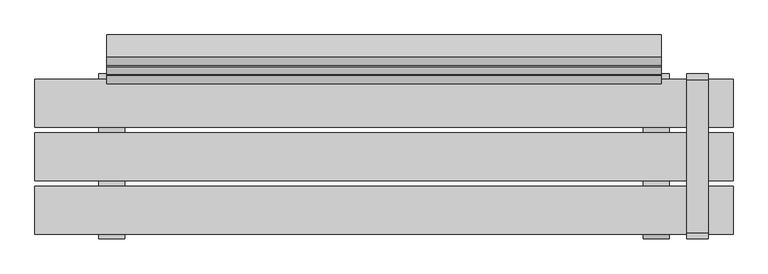
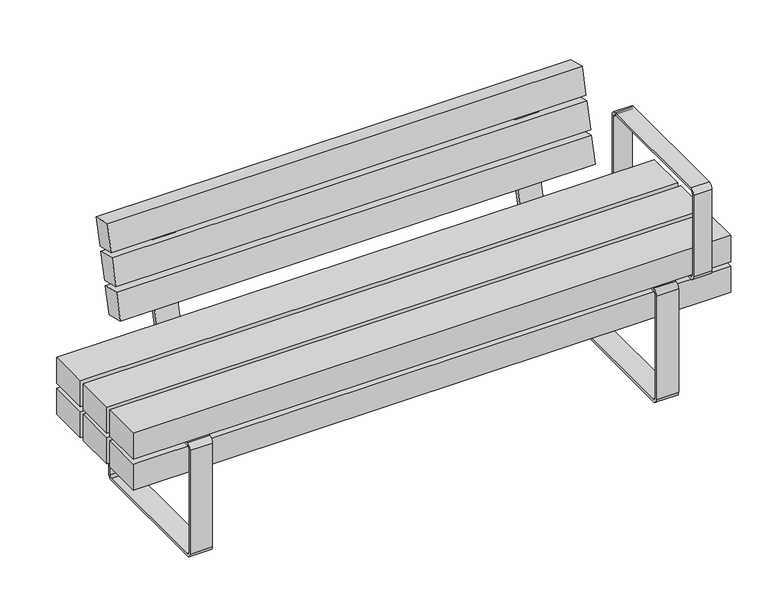
"""IFC4 building model written with IfcOpenShell, lengths in millimetres: furniture geometry."""

import ifcopenshell
import ifcopenshell.guid

model = None  # the IFC model being written
_history = None  # IfcOwnerHistory: only IFC2X3 demands one
_inside = {}  # id of a spatial element -> (the spatial element, [elements in it])
_under = {}  # id of a project, library or spatial element -> (it, [spatial elements below it])
_declared = {}  # id of a project -> (the project, [libraries it declares])
_typed = {}  # id of a type object -> (the type object, [elements of that type])
_made_of = {}  # id of a material, layer set ... -> (it, [elements and type objects made of it])


def new_model(schema):
    """Start an empty IFC model of exactly this schema.

    Asked for "IFC4X3", IfcOpenShell would pick the latest addendum, in which some entities
    have other attributes; the version numbers below select the first issue.
    IFC2X3 requires an IfcOwnerHistory on every rooted entity: one is made here for all.
    """
    global model, _history
    if schema == "IFC4X3":
        model = ifcopenshell.file(schema_version=(4, 3, 0, 0))
    else:
        model = ifcopenshell.file(schema=schema)
    _inside.clear()
    _under.clear()
    _declared.clear()
    _typed.clear()
    _made_of.clear()
    _history = None
    if model.schema == "IFC2X3":
        org = make("IfcOrganization", Name="unknown")
        user = make(
            "IfcPersonAndOrganization",
            ThePerson=make("IfcPerson", FamilyName="unknown"),
            TheOrganization=org,
        )
        app = make(
            "IfcApplication",
            ApplicationDeveloper=org,
            Version="unknown",
            ApplicationFullName="unknown",
            ApplicationIdentifier="unknown",
        )
        _history = make(
            "IfcOwnerHistory",
            OwningUser=user,
            OwningApplication=app,
            ChangeAction="ADDED",
            CreationDate=0,
        )
    return model


def make(cls, **values):
    """One entity of the class cls with the attributes given. An attribute that is None is left unset."""
    return model.create_entity(
        cls, **{name: value for name, value in values.items() if value is not None}
    )


def rooted(cls, **values):
    """An entity with a GlobalId (a new one), such as an element, a storey or a relation."""
    return make(cls, GlobalId=ifcopenshell.guid.new(), OwnerHistory=_history, **values)


def si_unit(unit_type, name, prefix=None):
    """IfcSIUnit, for example si_unit("LENGTHUNIT", "METRE", prefix="MILLI")."""
    return make("IfcSIUnit", UnitType=unit_type, Prefix=prefix, Name=name)


def assignment(units):
    """IfcUnitAssignment: the units of a project."""
    return None if units is None else make("IfcUnitAssignment", Units=units)


def point(xyz):
    """IfcCartesianPoint."""
    return None if xyz is None else make("IfcCartesianPoint", Coordinates=xyz)


def direction(xyz):
    """IfcDirection."""
    return None if xyz is None else make("IfcDirection", DirectionRatios=xyz)


def frame(location, z_axis=None, x_axis=None):
    """IfcAxis2Placement3D, a coordinate frame: its origin and axes. An axis left out is left unset."""
    return make(
        "IfcAxis2Placement3D",
        Location=point(location),
        Axis=direction(z_axis),
        RefDirection=direction(x_axis),
    )


def frame_2d(location, x_axis=None):
    """IfcAxis2Placement2D, a coordinate frame in the plane: its origin and x axis."""
    return make(
        "IfcAxis2Placement2D", Location=point(location), RefDirection=direction(x_axis)
    )


def origin():
    """The frame at (0, 0, 0) with its axes left unset."""
    return frame((0.0, 0.0, 0.0))


def place(relative_to, where):
    """IfcLocalPlacement: puts the frame where relative to a parent placement (None: the world)."""
    return make(
        "IfcLocalPlacement", PlacementRelTo=relative_to, RelativePlacement=where
    )


def context(
    kind, dimensions, precision=None, world=None, true_north=None, identifier=None
):
    """IfcGeometricRepresentationContext, for example the 3D "Model" context."""
    return make(
        "IfcGeometricRepresentationContext",
        ContextIdentifier=identifier,
        ContextType=kind,
        CoordinateSpaceDimension=dimensions,
        Precision=precision,
        WorldCoordinateSystem=world,
        TrueNorth=true_north,
    )


def project(units=None, contexts=None):
    """IfcProject with its units and contexts."""
    return rooted(
        "IfcProject",
        Name="project",
        RepresentationContexts=contexts,
        UnitsInContext=assignment(units),
    )


def spatial(cls, under=None, at=None, **own):
    """A site, building, storey or space (cls), placed at a placement, below another one or the project."""
    s = rooted(cls, ObjectPlacement=at, **own)
    if under is not None:
        _under.setdefault(under.id(), (under, []))[1].append(s)
    return s


def polyline(points):
    """IfcPolyline through the points."""
    return make("IfcPolyline", Points=[point(p) for p in points])


def circle_curve(where, radius):
    """IfcCircle in the frame where."""
    return make("IfcCircle", Position=where, Radius=radius)


def trimmed(basis, trim1, trim2, sense, master):
    """IfcTrimmedCurve: the piece of a basis curve between two trims."""
    return make(
        "IfcTrimmedCurve",
        BasisCurve=basis,
        Trim1=trim1,
        Trim2=trim2,
        SenseAgreement=sense,
        MasterRepresentation=master,
    )


def segment(curve, same_sense, transition):
    """IfcCompositeCurveSegment."""
    return make(
        "IfcCompositeCurveSegment",
        Transition=transition,
        SameSense=same_sense,
        ParentCurve=curve,
    )


def composite_curve(segments, self_intersect=None):
    """IfcCompositeCurve: segments joined end to end."""
    return make("IfcCompositeCurve", Segments=segments, SelfIntersect=self_intersect)


def outline(outer, holes=None, kind="AREA"):
    """IfcArbitraryClosedProfileDef: a profile drawn as a closed curve; with holes, ...WithVoids."""
    if holes is None:
        return make("IfcArbitraryClosedProfileDef", ProfileType=kind, OuterCurve=outer)
    return make(
        "IfcArbitraryProfileDefWithVoids",
        ProfileType=kind,
        OuterCurve=outer,
        InnerCurves=holes,
    )


def extrude(swept, where, along, depth):
    """IfcExtrudedAreaSolid: the profile swept, set in the frame where, extruded along a direction by depth."""
    return make(
        "IfcExtrudedAreaSolid",
        SweptArea=swept,
        Position=where,
        ExtrudedDirection=direction(along),
        Depth=depth,
    )


def shape(context_of_items, identifier, shape_type, items):
    """IfcShapeRepresentation: the items that make up one representation, for example the "Body"."""
    return make(
        "IfcShapeRepresentation",
        ContextOfItems=context_of_items,
        RepresentationIdentifier=identifier,
        RepresentationType=shape_type,
        Items=items,
    )


def source(mapping_origin, context_of_items, identifier, shape_type, items):
    """IfcRepresentationMap: a shape defined once, which mapped items show again and again."""
    return make(
        "IfcRepresentationMap",
        MappingOrigin=mapping_origin,
        MappedRepresentation=shape(context_of_items, identifier, shape_type, items),
    )


def transform(
    local_origin,
    x_axis=None,
    y_axis=None,
    z_axis=None,
    scale=None,
    scale2=None,
    scale3=None,
    uniform=True,
):
    """IfcCartesianTransformationOperator3D, or its non-uniform kind. x_axis, y_axis, z_axis: its Axis1, 2, 3."""
    if uniform:
        return make(
            "IfcCartesianTransformationOperator3D",
            Axis1=direction(x_axis),
            Axis2=direction(y_axis),
            LocalOrigin=point(local_origin),
            Scale=scale,
            Axis3=direction(z_axis),
        )
    return make(
        "IfcCartesianTransformationOperator3DnonUniform",
        Axis1=direction(x_axis),
        Axis2=direction(y_axis),
        LocalOrigin=point(local_origin),
        Scale=scale,
        Axis3=direction(z_axis),
        Scale2=scale2,
        Scale3=scale3,
    )


def mapped(mapping_source, mapping_target):
    """IfcMappedItem: shows the shape of a source again, moved by a transform."""
    return make(
        "IfcMappedItem", MappingSource=mapping_source, MappingTarget=mapping_target
    )


def made_of(thing, what):
    """Note that an element or type object is made of a material, layer set ...; save() writes the relation."""
    if what is not None:
        _made_of.setdefault(what.id(), (what, []))[1].append(thing)
    return thing


def element(
    cls,
    number,
    at=None,
    inside=None,
    cuts=None,
    type_object=None,
    material=None,
    context=None,
    identifier="Body",
    shape_type=None,
    held_by="IfcProductDefinitionShape",
    body=None,
    shapes=None,
    **own,
):
    """One element of the class cls, such as IfcWall. Its Tag is "e" and its number.

    at: its placement. inside: the storey or other place that contains it. cuts: it is an
    opening in that element (IfcRelVoidsElement). A single representation is given by context,
    identifier, shape_type and body (its items); several are given by shapes. held_by: the class
    of the entity that holds the representations. save() writes the other relations.
    """
    e = rooted(cls, Tag="e%d" % number, ObjectPlacement=at, **own)
    if body is not None:
        shapes = [shape(context, identifier, shape_type, body)]
    if shapes is not None:
        e.Representation = make(held_by, Representations=shapes)
    if inside is not None:
        _inside.setdefault(inside.id(), (inside, []))[1].append(e)
    if cuts is not None:
        rooted(
            "IfcRelVoidsElement", RelatingBuildingElement=cuts, RelatedOpeningElement=e
        )
    if type_object is not None:
        _typed.setdefault(type_object.id(), (type_object, []))[1].append(e)
    return made_of(e, material)


def aggregate(whole, parts):
    """IfcRelAggregates: a whole, such as a stair, and the parts it consists of."""
    return rooted("IfcRelAggregates", RelatingObject=whole, RelatedObjects=parts)


def save(model, path):
    """Write the relations noted so far, then the file.

    IfcRelAggregates (storeys below a building ...), IfcRelContainedInSpatialStructure (elements
    in a storey), IfcRelDefinesByType, IfcRelAssociatesMaterial and IfcRelDeclares: one each for
    every whole, place, type object, material and project.
    """
    for whole, parts in _under.values():
        aggregate(whole, parts)
    for where, things in _inside.values():
        rooted(
            "IfcRelContainedInSpatialStructure",
            RelatedElements=things,
            RelatingStructure=where,
        )
    for kind, things in _typed.values():
        rooted("IfcRelDefinesByType", RelatedObjects=things, RelatingType=kind)
    for what, things in _made_of.values():
        rooted("IfcRelAssociatesMaterial", RelatedObjects=things, RelatingMaterial=what)
    for by, libraries in _declared.values():
        rooted("IfcRelDeclares", RelatingContext=by, RelatedDefinitions=libraries)
    model.write(path)


def furniture_d63f21ac(model_context):
    return source(origin(), model_context, "Body", "SweptSolid", [
        extrude(outline(composite_curve([segment(polyline([(198.4124417, 0.0), (-196.5875583, 0.0)]), True, "CONTINUOUS"), segment(trimmed(circle_curve(frame_2d((-196.5875583, 15.0)), 15.0), [point((-196.5875583, 0.0))], [point((-211.5875583, 15.0))], False, "CARTESIAN"), True, "CONTINUOUS"), segment(polyline([(-211.5875583, 15.0), (-211.5875583, 345.3217453)]), True, "CONTINUOUS"), segment(trimmed(circle_curve(frame_2d((-196.5875583, 345.3217453)), 15.0), [point((-211.5875583, 345.3217453))], [point((-196.5875583, 360.3217453))], False, "CARTESIAN"), True, "CONTINUOUS"), segment(polyline([(-196.5875583, 360.3217453), (198.4124417, 360.3217453)]), True, "CONTINUOUS"), segment(trimmed(circle_curve(frame_2d((198.4124417, 345.3217453)), 15.0), [point((198.4124417, 360.3217453))], [point((213.4124417, 345.3217453))], False, "CARTESIAN"), True, "CONTINUOUS"), segment(polyline([(213.4124417, 345.3217453), (213.4124417, 15.0)]), True, "CONTINUOUS"), segment(trimmed(circle_curve(frame_2d((198.4124417, 15.0)), 15.0), [point((213.4124417, 15.0))], [point((198.4124417, 0.0))], False, "CARTESIAN"), True, "CONTINUOUS")], self_intersect=False), holes=[composite_curve([segment(trimmed(circle_curve(frame_2d((-196.5875583, 15.0)), 6.5), [point((-203.0875583, 15.0))], [point((-196.5875583, 8.5))], True, "CARTESIAN"), True, "CONTINUOUS"), segment(polyline([(-196.5875583, 8.5), (198.4124417, 8.5)]), True, "CONTINUOUS"), segment(trimmed(circle_curve(frame_2d((198.4124417, 15.0)), 6.5), [point((198.4124417, 8.5))], [point((204.9124417, 15.0))], True, "CARTESIAN"), True, "CONTINUOUS"), segment(polyline([(204.9124417, 15.0), (204.9124417, 345.3217453)]), True, "CONTINUOUS"), segment(trimmed(circle_curve(frame_2d((198.4124417, 345.3217453)), 6.5), [point((204.9124417, 345.3217453))], [point((198.4124417, 351.8217453))], True, "CARTESIAN"), True, "CONTINUOUS"), segment(polyline([(198.4124417, 351.8217453), (-196.5875583, 351.8217453)]), True, "CONTINUOUS"), segment(trimmed(circle_curve(frame_2d((-196.5875583, 345.3217453)), 6.5), [point((-196.5875583, 351.8217453))], [point((-203.0875583, 345.3217453))], True, "CARTESIAN"), True, "CONTINUOUS"), segment(polyline([(-203.0875583, 345.3217453), (-203.0875583, 15.0)]), True, "CONTINUOUS")], self_intersect=False)]), frame((668.5975006, 0.0, 0.0), z_axis=(1.0, 0.0, 0.0), x_axis=(0.0, 1.0, 0.0)), (0.0, 0.0, 1.0), 67.040596),
        extrude(outline(composite_curve([segment(polyline([(198.4124417, 0.0), (-196.5875583, 0.0)]), True, "CONTINUOUS"), segment(trimmed(circle_curve(frame_2d((-196.5875583, 15.0)), 15.0), [point((-196.5875583, 0.0))], [point((-211.5875583, 15.0))], False, "CARTESIAN"), True, "CONTINUOUS"), segment(polyline([(-211.5875583, 15.0), (-211.5875583, 345.3217453)]), True, "CONTINUOUS"), segment(trimmed(circle_curve(frame_2d((-196.5875583, 345.3217453)), 15.0), [point((-211.5875583, 345.3217453))], [point((-196.5875583, 360.3217453))], False, "CARTESIAN"), True, "CONTINUOUS"), segment(polyline([(-196.5875583, 360.3217453), (198.4124417, 360.3217453)]), True, "CONTINUOUS"), segment(trimmed(circle_curve(frame_2d((198.4124417, 345.3217453)), 15.0), [point((198.4124417, 360.3217453))], [point((213.4124417, 345.3217453))], False, "CARTESIAN"), True, "CONTINUOUS"), segment(polyline([(213.4124417, 345.3217453), (213.4124417, 15.0)]), True, "CONTINUOUS"), segment(trimmed(circle_curve(frame_2d((198.4124417, 15.0)), 15.0), [point((213.4124417, 15.0))], [point((198.4124417, 0.0))], False, "CARTESIAN"), True, "CONTINUOUS")], self_intersect=False), holes=[composite_curve([segment(trimmed(circle_curve(frame_2d((-196.5875583, 15.0)), 6.5), [point((-203.0875583, 15.0))], [point((-196.5875583, 8.5))], True, "CARTESIAN"), True, "CONTINUOUS"), segment(polyline([(-196.5875583, 8.5), (198.4124417, 8.5)]), True, "CONTINUOUS"), segment(trimmed(circle_curve(frame_2d((198.4124417, 15.0)), 6.5), [point((198.4124417, 8.5))], [point((204.9124417, 15.0))], True, "CARTESIAN"), True, "CONTINUOUS"), segment(polyline([(204.9124417, 15.0), (204.9124417, 345.3217453)]), True, "CONTINUOUS"), segment(trimmed(circle_curve(frame_2d((198.4124417, 345.3217453)), 6.5), [point((204.9124417, 345.3217453))], [point((198.4124417, 351.8217453))], True, "CARTESIAN"), True, "CONTINUOUS"), segment(polyline([(198.4124417, 351.8217453), (-196.5875583, 351.8217453)]), True, "CONTINUOUS"), segment(trimmed(circle_curve(frame_2d((-196.5875583, 345.3217453)), 6.5), [point((-196.5875583, 351.8217453))], [point((-203.0875583, 345.3217453))], True, "CARTESIAN"), True, "CONTINUOUS"), segment(polyline([(-203.0875583, 345.3217453), (-203.0875583, 15.0)]), True, "CONTINUOUS")], self_intersect=False)]), frame((-735.6380966, 0.0, 0.0), z_axis=(1.0, 0.0, 0.0), x_axis=(0.0, 1.0, 0.0)), (0.0, 0.0, 1.0), 67.040596),
        extrude(outline(polyline([(351.8217453, 900.0000373), (351.8217453, -900.0), (268.7167987, -900.0), (268.7167987, 900.0000373), (351.8217453, 900.0000373)]), holes=[polyline([(339.8217453, -888.0), (339.8217453, 888.0), (280.7167987, 888.0), (280.7167987, -888.0), (339.8217453, -888.0)])]), frame((0.0, -61.5000218, 0.0), z_axis=(0.0, 1.0, 0.0), x_axis=(0.0, 0.0, 1.0)), (0.0, 0.0, 1.0), 123.0000435),
        extrude(outline(composite_curve([segment(polyline([(198.4124417, 351.8217453), (-196.5875583, 351.8217453)]), True, "CONTINUOUS"), segment(trimmed(circle_curve(frame_2d((-196.5875583, 366.8217453)), 15.0), [point((-196.5875583, 351.8217453))], [point((-211.5875583, 366.8217453))], False, "CARTESIAN"), True, "CONTINUOUS"), segment(polyline([(-211.5875583, 366.8217453), (-211.5875583, 626.8217453)]), True, "CONTINUOUS"), segment(trimmed(circle_curve(frame_2d((-196.5875583, 626.8217453)), 15.0), [point((-211.5875583, 626.8217453))], [point((-196.5875583, 641.8217453))], False, "CARTESIAN"), True, "CONTINUOUS"), segment(polyline([(-196.5875583, 641.8217453), (198.4124417, 641.8217453)]), True, "CONTINUOUS"), segment(trimmed(circle_curve(frame_2d((198.4124417, 626.8217453)), 15.0), [point((198.4124417, 641.8217453))], [point((213.4124417, 626.8217453))], False, "CARTESIAN"), True, "CONTINUOUS"), segment(polyline([(213.4124417, 626.8217453), (213.4124417, 366.8217453)]), True, "CONTINUOUS"), segment(trimmed(circle_curve(frame_2d((198.4124417, 366.8217453)), 15.0), [point((213.4124417, 366.8217453))], [point((198.4124417, 351.8217453))], False, "CARTESIAN"), True, "CONTINUOUS")], self_intersect=False), holes=[composite_curve([segment(trimmed(circle_curve(frame_2d((-196.5875583, 366.8217453)), 6.5), [point((-203.0875583, 366.8217453))], [point((-196.5875583, 360.3217453))], True, "CARTESIAN"), True, "CONTINUOUS"), segment(polyline([(-196.5875583, 360.3217453), (198.4124417, 360.3217453)]), True, "CONTINUOUS"), segment(trimmed(circle_curve(frame_2d((198.4124417, 366.8217453)), 6.5), [point((198.4124417, 360.3217453))], [point((204.9124417, 366.8217453))], True, "CARTESIAN"), True, "CONTINUOUS"), segment(polyline([(204.9124417, 366.8217453), (204.9124417, 626.8217453)]), True, "CONTINUOUS"), segment(trimmed(circle_curve(frame_2d((198.4124417, 626.8217453)), 6.5), [point((204.9124417, 626.8217453))], [point((198.4124417, 633.3217453))], True, "CARTESIAN"), True, "CONTINUOUS"), segment(polyline([(198.4124417, 633.3217453), (-196.5875583, 633.3217453)]), True, "CONTINUOUS"), segment(trimmed(circle_curve(frame_2d((-196.5875583, 626.8217453)), 6.5), [point((-196.5875583, 633.3217453))], [point((-203.0875583, 626.8217453))], True, "CARTESIAN"), True, "CONTINUOUS"), segment(polyline([(-203.0875583, 626.8217453), (-203.0875583, 366.8217453)]), True, "CONTINUOUS")], self_intersect=False)]), frame((781.1291871, 0.0, 0.0), z_axis=(1.0, 0.0, 0.0), x_axis=(0.0, 1.0, 0.0)), (0.0, 0.0, 1.0), 55.0),
        extrude(outline(composite_curve([segment(polyline([(301.7676975, 665.0239384), (227.7235932, 368.0492568)]), True, "CONTINUOUS"), segment(trimmed(circle_curve(frame_2d((206.9533257, 373.2278661)), 21.4061208), [point((227.7235932, 368.0492568))], [point((206.9533257, 351.8217453))], False, "CARTESIAN"), True, "CONTINUOUS"), segment(polyline([(206.9533257, 351.8217453), (76.4999782, 351.8217453), (76.4999782, 366.8258682), (207.2227467, 366.8258682)]), True, "CONTINUOUS"), segment(trimmed(circle_curve(frame_2d((207.2227467, 376.8258682)), 10.0), [point((207.2227467, 366.8258682))], [point((216.925704, 374.4066493))], True, "CARTESIAN"), True, "CONTINUOUS"), segment(polyline([(216.925704, 374.4066493), (290.8352259, 670.8415506), (252.7658072, 680.3333227), (255.6688699, 691.9768714), (290.84209, 683.2072027)]), True, "CONTINUOUS"), segment(trimmed(circle_curve(frame_2d((287.2132616, 668.6527668)), 15.0), [point((290.84209, 683.2072027))], [point((301.7676975, 665.0239384))], False, "CARTESIAN"), True, "CONTINUOUS")], self_intersect=False)), frame((-582.1768452, 0.0, 0.0), z_axis=(1.0, 0.0, 0.0), x_axis=(0.0, 1.0, 0.0)), (0.0, 0.0, 1.0), 70.0),
        extrude(outline(composite_curve([segment(polyline([(301.7676975, 665.0239384), (227.7235932, 368.0492568)]), True, "CONTINUOUS"), segment(trimmed(circle_curve(frame_2d((206.9533257, 373.2278661)), 21.4061208), [point((227.7235932, 368.0492568))], [point((206.9533257, 351.8217453))], False, "CARTESIAN"), True, "CONTINUOUS"), segment(polyline([(206.9533257, 351.8217453), (76.4999782, 351.8217453), (76.4999782, 366.8258682), (207.2227467, 366.8258682)]), True, "CONTINUOUS"), segment(trimmed(circle_curve(frame_2d((207.2227467, 376.8258682)), 10.0), [point((207.2227467, 366.8258682))], [point((216.925704, 374.4066493))], True, "CARTESIAN"), True, "CONTINUOUS"), segment(polyline([(216.925704, 374.4066493), (290.8352259, 670.8415506), (252.7658072, 680.3333227), (255.6688699, 691.9768714), (290.84209, 683.2072027)]), True, "CONTINUOUS"), segment(trimmed(circle_curve(frame_2d((287.2132616, 668.6527668)), 15.0), [point((290.84209, 683.2072027))], [point((301.7676975, 665.0239384))], False, "CARTESIAN"), True, "CONTINUOUS")], self_intersect=False)), frame((512.1769562, 0.0, 0.0), z_axis=(1.0, 0.0, 0.0), x_axis=(0.0, 1.0, 0.0)), (0.0, 0.0, 1.0), 70.0),
        extrude(outline(polyline([(0.0, -60.0), (0.0, 0.0), (1430.0000015, 0.0), (1430.0000015, -60.0), (0.0, -60.0)])), frame((715.0000752, 188.1106519, 506.8497082), z_axis=(0.0, 0.24226794219074058, 0.9702093816216497), x_axis=(-1.0, 0.0, 0.0)), (0.0, 0.0, 1.0), 82.9016978),
        extrude(outline(polyline([(0.0, -60.0), (0.0, 0.0), (1430.0000015, 0.0), (1430.0000015, -60.0), (0.0, -60.0)])), frame((715.0000752, 211.8519257, 601.9262847), z_axis=(0.0, 0.24226794219074002, 0.9702093816216498), x_axis=(-1.0, 0.0, 0.0)), (0.0, 0.0, 1.0), 82.9016978),
        extrude(outline(polyline([(0.0, -60.0), (0.0, 0.0), (1430.0000015, 0.0), (1430.0000015, -60.0), (0.0, -60.0)])), frame((715.0000752, 235.5883657, 696.9835034), z_axis=(0.0, 0.24226794219073886, 0.9702093816216503), x_axis=(-1.0, 0.0, 0.0)), (0.0, 0.0, 1.0), 82.9016978),
        extrude(outline(polyline([(900.0, -76.5174894), (900.0, -199.5174894), (-900.0, -199.5174894), (-900.0, -76.5174894), (900.0, -76.5174894)])), frame((0.0, 0.0, 366.8258682), z_axis=(0.0, 0.0, 1.0), x_axis=(1.0, 0.0, 0.0)), (0.0, 0.0, 1.0), 83.1049466),
        extrude(outline(polyline([(900.0, 61.4888479), (900.0, -61.5111521), (-900.0, -61.5111521), (-900.0, 61.4888479), (900.0, 61.4888479)])), frame((0.0, 0.0, 366.8258682), z_axis=(0.0, 0.0, 1.0), x_axis=(1.0, 0.0, 0.0)), (0.0, 0.0, 1.0), 83.1049466),
        extrude(outline(polyline([(900.0, 199.4999782), (900.0, 76.4999782), (-900.0, 76.4999782), (-900.0, 199.4999782), (900.0, 199.4999782)])), frame((0.0, 0.0, 366.8258682), z_axis=(0.0, 0.0, 1.0), x_axis=(1.0, 0.0, 0.0)), (0.0, 0.0, 1.0), 83.1049466),
        extrude(outline(polyline([(900.0, -76.5174894), (900.0, -199.5174894), (-900.0, -199.5174894), (-900.0, -76.5174894), (900.0, -76.5174894)])), frame((0.0, 0.0, 268.7167987), z_axis=(0.0, 0.0, 1.0), x_axis=(1.0, 0.0, 0.0)), (0.0, 0.0, 1.0), 83.1049466),
        extrude(outline(polyline([(900.0, 199.4999782), (900.0, 76.4999782), (-900.0, 76.4999782), (-900.0, 199.4999782), (900.0, 199.4999782)])), frame((0.0, 0.0, 268.7167987), z_axis=(0.0, 0.0, 1.0), x_axis=(1.0, 0.0, 0.0)), (0.0, 0.0, 1.0), 83.1049466),
        extrude(outline(polyline([(735.4649994, -171.2111197), (668.4244034, -171.2111197), (668.4244034, 168.7288553), (735.4649994, 168.7288553), (735.4649994, -171.2111197)])), frame((0.0, 0.0, 351.8217453), z_axis=(0.0, 0.0, 1.0), x_axis=(1.0, 0.0, 0.0)), (0.0, 0.0, 1.0), 15.004123),
        extrude(outline(polyline([(-668.5975006, -171.2111197), (-735.6380966, -171.2111197), (-735.6380966, 168.7288553), (-668.5975006, 168.7288553), (-668.5975006, -171.2111197)])), frame((0.0, 0.0, 351.8217453), z_axis=(0.0, 0.0, 1.0), x_axis=(1.0, 0.0, 0.0)), (0.0, 0.0, 1.0), 15.004123),
    ])


if __name__ == "__main__":
    model = new_model("IFC4")
    model_context = context("Model", 3, world=origin())
    ifc_project = project(units=[si_unit("LENGTHUNIT", "METRE", prefix="MILLI")], contexts=[model_context])
    site = spatial("IfcSite", under=ifc_project)
    building = spatial("IfcBuilding", under=site)
    placement = place(None, origin())
    furniture_shape = furniture_d63f21ac(model_context)
    element("IfcFurniture", 1, at=placement, inside=building, context=model_context, shape_type="MappedRepresentation", body=[
        mapped(furniture_shape, transform((0.0, 0.0, 0.0), x_axis=(1.0, 0.0, 0.0), y_axis=(0.0, 1.0, 0.0), z_axis=(0.0, 0.0, 1.0))),
    ])
    save(model, "model.ifc")
